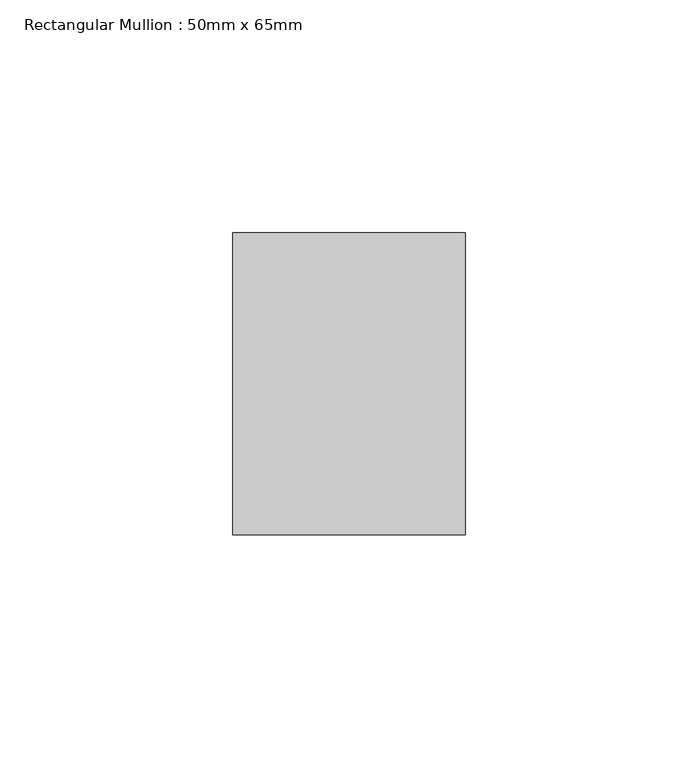
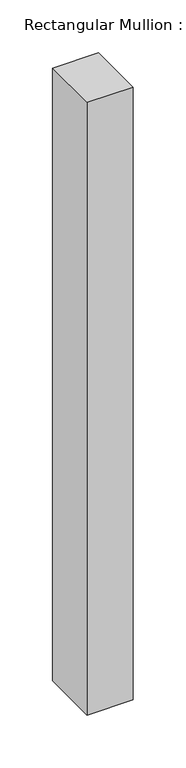
"""IFC4 building model written with IfcOpenShell, lengths in millimetres: member geometry, Rectangular Mullion : 50mm x 65mm."""

from ifc_helpers import new_model, si_unit, frame, origin, place, context, project, spatial, polyline, outline, extrude, source, transform, mapped, element, save


def rectangular_mullion_50mm_x_65mm_74be8706(model_context):
    return source(origin(), model_context, "Body", "SweptSolid", [
        extrude(outline(polyline([(25.0, 32.5), (25.0, -32.5), (-25.0, -32.5), (-25.0, 32.5), (25.0, 32.5)])), frame((0.0, 0.0, -705.7728694), z_axis=(0.0, 0.0, 1.0), x_axis=(1.0, 0.0, 0.0)), (0.0, 0.0, 1.0), 705.7728694),
    ])


if __name__ == "__main__":
    model = new_model("IFC4")
    model_context = context("Model", 3, world=origin())
    ifc_project = project(units=[si_unit("LENGTHUNIT", "METRE", prefix="MILLI")], contexts=[model_context])
    site = spatial("IfcSite", under=ifc_project)
    building = spatial("IfcBuilding", under=site)
    placement = place(None, origin())
    rectangular_mullion_50mm_x_65mm_shape = rectangular_mullion_50mm_x_65mm_74be8706(model_context)
    element("IfcMember", 1, ObjectType="Rectangular Mullion : 50mm x 65mm", at=placement, inside=building, context=model_context, shape_type="MappedRepresentation", body=[
        mapped(rectangular_mullion_50mm_x_65mm_shape, transform((0.0, 0.0, 0.0), x_axis=(1.0, 0.0, 0.0), y_axis=(0.0, 1.0, 0.0), z_axis=(0.0, 0.0, 1.0))),
    ])
    save(model, "model.ifc")
